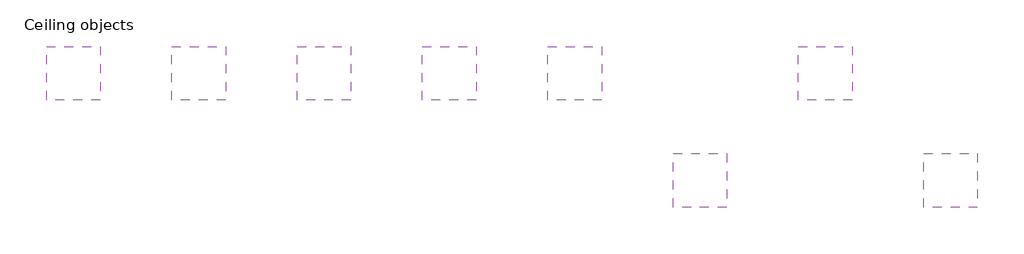
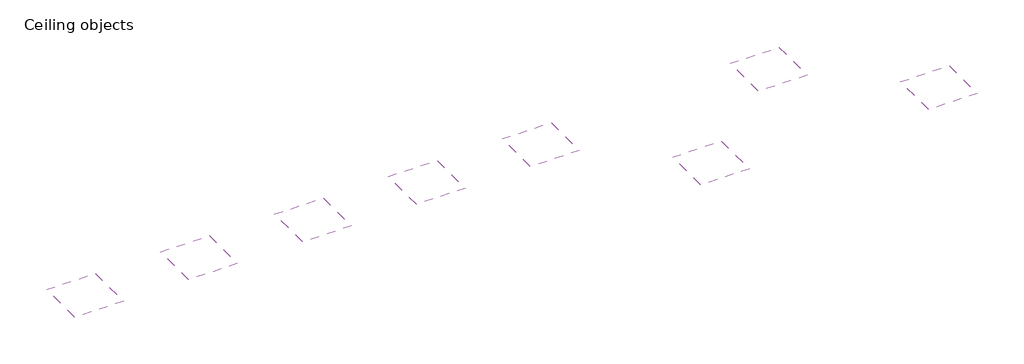
# One storey: 8 coverings.
"""IFC4 building model written with IfcOpenShell, lengths in millimetres."""

from ifc_helpers import new_model, si_unit, frame, origin, place, context, project, spatial, polyline, outline, extrude, element, save

model = new_model("IFC4")

# Units and contexts
model_context = context("Model", 3, world=origin())
ifc_project = project(units=[si_unit("LENGTHUNIT", "METRE", prefix="MILLI")], contexts=[model_context])

# Site, building, storey
site = spatial("IfcSite", under=ifc_project)
building = spatial("IfcBuilding", under=site)
storey = spatial("IfcBuildingStorey", under=building, Name="Ceiling objects", Elevation=0.0)

# Coverings
placement = place(None, origin())
element("IfcCovering", 1, at=placement, inside=storey, context=model_context, shape_type="SweptSolid", body=[
    extrude(outline(polyline([(-4783.0103193, 8117.0281757), (-4783.0103193, 5117.0281757), (-7783.0103193, 5117.0281757), (-7783.0103193, 8117.0281757), (-4783.0103193, 8117.0281757)])), frame((0.0, 0.0, 2600.0), z_axis=(0.0, 0.0, 1.0), x_axis=(1.0, 0.0, 0.0)), (0.0, 0.0, 1.0), 49.0000016),
])
element("IfcCovering", 2, at=placement, inside=storey, context=model_context, shape_type="SweptSolid", body=[
    extrude(outline(polyline([(2216.9899047, 8117.0281757), (2216.9899047, 5117.0281757), (-783.0100953, 5117.0281757), (-783.0100953, 8117.0281757), (2216.9899047, 8117.0281757)])), frame((0.0, 0.0, 2600.0), z_axis=(0.0, 0.0, 1.0), x_axis=(1.0, 0.0, 0.0)), (0.0, 0.0, 1.0), 50.0000016),
])
element("IfcCovering", 3, at=placement, inside=storey, context=model_context, shape_type="SweptSolid", body=[
    extrude(outline(polyline([(9216.9901287, 8117.0281757), (9216.9901287, 5117.0281757), (6216.9901287, 5117.0281757), (6216.9901287, 8117.0281757), (9216.9901287, 8117.0281757)])), frame((0.0, 0.0, 2600.0), z_axis=(0.0, 0.0, 1.0), x_axis=(1.0, 0.0, 0.0)), (0.0, 0.0, 1.0), 50.0000016),
])
element("IfcCovering", 4, at=placement, inside=storey, context=model_context, shape_type="SweptSolid", body=[
    extrude(outline(polyline([(16216.9903527, 8117.0281757), (16216.9903527, 5117.0281757), (13216.9903527, 5117.0281757), (13216.9903527, 8117.0281757), (16216.9903527, 8117.0281757)])), frame((0.0, 0.0, 2600.0), z_axis=(0.0, 0.0, 1.0), x_axis=(1.0, 0.0, 0.0)), (0.0, 0.0, 1.0), 50.0000016),
])
element("IfcCovering", 5, at=placement, inside=storey, context=model_context, shape_type="SweptSolid", body=[
    extrude(outline(polyline([(23216.9905767, 8117.0281757), (23216.9905767, 5117.0281757), (20216.9905767, 5117.0281757), (20216.9905767, 8117.0281757), (23216.9905767, 8117.0281757)])), frame((0.0, 0.0, 2600.0), z_axis=(0.0, 0.0, 1.0), x_axis=(1.0, 0.0, 0.0)), (0.0, 0.0, 1.0), 50.0000016),
])
element("IfcCovering", 6, at=placement, inside=storey, context=model_context, shape_type="SweptSolid", body=[
    extrude(outline(polyline([(30216.9908007, 2117.0279837), (30216.9908007, -882.9720163), (27216.9908007, -882.9720163), (27216.9908007, 2117.0279837), (30216.9908007, 2117.0279837)])), frame((0.0, 0.0, 2600.0), z_axis=(0.0, 0.0, 1.0), x_axis=(1.0, 0.0, 0.0)), (0.0, 0.0, 1.0), 50.0000016),
])
element("IfcCovering", 7, at=placement, inside=storey, context=model_context, shape_type="SweptSolid", body=[
    extrude(outline(polyline([(37216.9910247, 8117.0281757), (37216.9910247, 5117.0281757), (34216.9910247, 5117.0281757), (34216.9910247, 8117.0281757), (37216.9910247, 8117.0281757)])), frame((0.0, 0.0, 2600.0), z_axis=(0.0, 0.0, 1.0), x_axis=(1.0, 0.0, 0.0)), (0.0, 0.0, 1.0), 50.0000016),
])
element("IfcCovering", 8, at=placement, inside=storey, context=model_context, shape_type="SweptSolid", body=[
    extrude(outline(polyline([(44216.9912487, 2117.0279837), (44216.9912487, -882.9720163), (41216.9912487, -882.9720163), (41216.9912487, 2117.0279837), (44216.9912487, 2117.0279837)])), frame((0.0, 0.0, 2600.0), z_axis=(0.0, 0.0, 1.0), x_axis=(1.0, 0.0, 0.0)), (0.0, 0.0, 1.0), 50.0000016),
])

save(model, "model.ifc")
